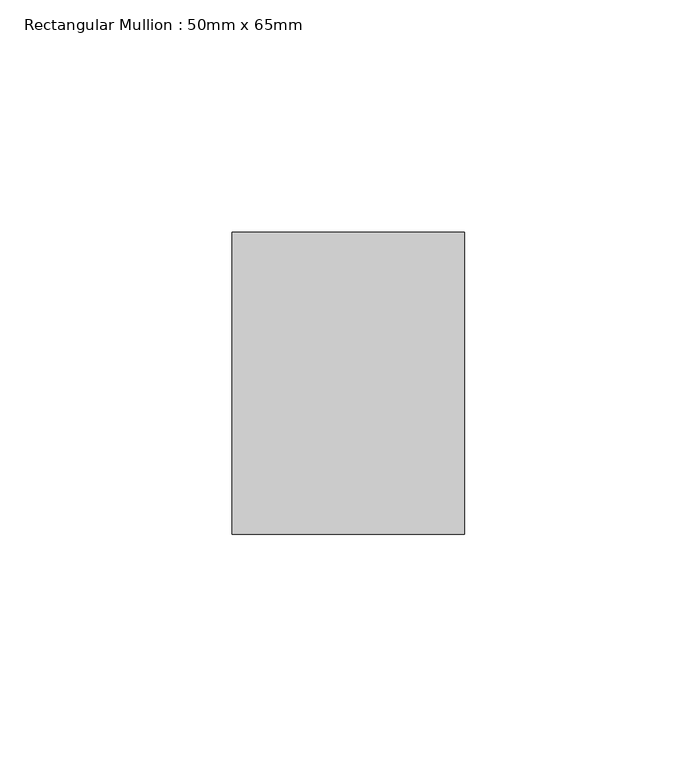
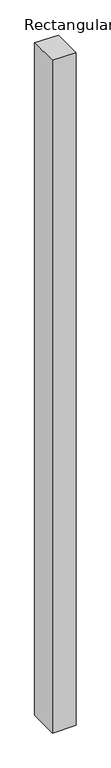
"""IFC4 building model written with IfcOpenShell, lengths in millimetres: member geometry, Rectangular Mullion : 50mm x 65mm."""

from ifc_helpers import new_model, si_unit, frame, origin, place, context, project, spatial, polyline, outline, extrude, source, transform, mapped, element, save


def rectangular_mullion_50mm_x_65mm_de903337(model_context):
    return source(origin(), model_context, "Body", "SweptSolid", [
        extrude(outline(polyline([(-32.5, 0.10733), (32.5, -0.1073301), (32.5, -1499.9555764), (-32.5, -1500.044248), (-32.5, 0.10733)])), frame((-25.0, 0.0, 0.0), z_axis=(1.0, 0.0, 0.0), x_axis=(0.0, 1.0, 0.0)), (0.0, 0.0, 1.0), 50.0),
    ])


if __name__ == "__main__":
    model = new_model("IFC4")
    model_context = context("Model", 3, world=origin())
    ifc_project = project(units=[si_unit("LENGTHUNIT", "METRE", prefix="MILLI")], contexts=[model_context])
    site = spatial("IfcSite", under=ifc_project)
    building = spatial("IfcBuilding", under=site)
    placement = place(None, origin())
    rectangular_mullion_50mm_x_65mm_shape = rectangular_mullion_50mm_x_65mm_de903337(model_context)
    element("IfcMember", 1, ObjectType="Rectangular Mullion : 50mm x 65mm", at=placement, inside=building, context=model_context, shape_type="MappedRepresentation", body=[
        mapped(rectangular_mullion_50mm_x_65mm_shape, transform((0.0, 0.0, 0.0), x_axis=(1.0, 0.0, 0.0), y_axis=(0.0, 1.0, 0.0), z_axis=(0.0, 0.0, 1.0))),
    ])
    save(model, "model.ifc")
